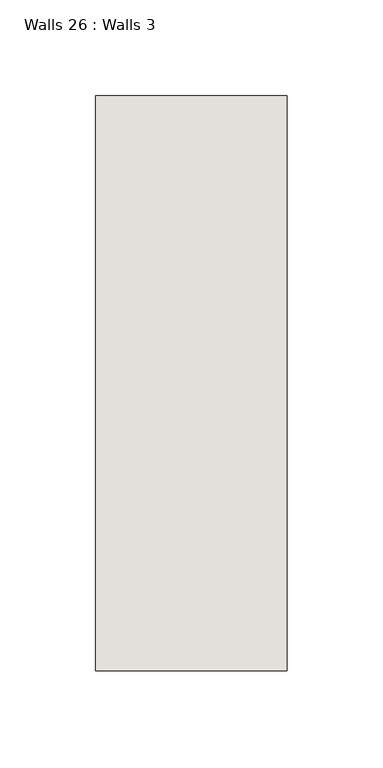
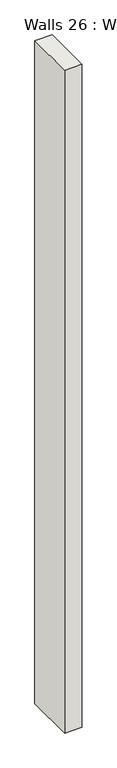
"""IFC4 building model written with IfcOpenShell, lengths in millimetres: wall geometry, Walls 26 : Walls 3."""

from ifc_helpers import new_model, si_unit, origin, origin_with_axes, place, context, project, spatial, polyline, outline, extrude, source, transform, mapped, element, save


def walls_26_walls_3_3e8e927f(model_context):
    return source(origin(), model_context, "Body", "SweptSolid", [
        extrude(outline(polyline([(-4012.3812655, 1518.41264), (-4012.3812655, 1818.41264), (-3912.3812655, 1818.41264), (-3912.3812655, 1518.41264), (-4012.3812655, 1518.41264)])), origin_with_axes(), (0.0, 0.0, 1.0), 4085.1192828),
    ])


if __name__ == "__main__":
    model = new_model("IFC4")
    model_context = context("Model", 3, world=origin())
    ifc_project = project(units=[si_unit("LENGTHUNIT", "METRE", prefix="MILLI")], contexts=[model_context])
    site = spatial("IfcSite", under=ifc_project)
    building = spatial("IfcBuilding", under=site)
    placement = place(None, origin())
    walls_26_walls_3_shape = walls_26_walls_3_3e8e927f(model_context)
    element("IfcWall", 1, ObjectType="Walls 26 : Walls 3", at=placement, inside=building, context=model_context, shape_type="MappedRepresentation", body=[
        mapped(walls_26_walls_3_shape, transform((0.0, 0.0, 0.0), x_axis=(1.0, 0.0, 0.0), y_axis=(0.0, 1.0, 0.0), z_axis=(0.0, 0.0, 1.0))),
    ])
    save(model, "model.ifc")
